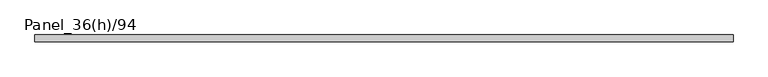
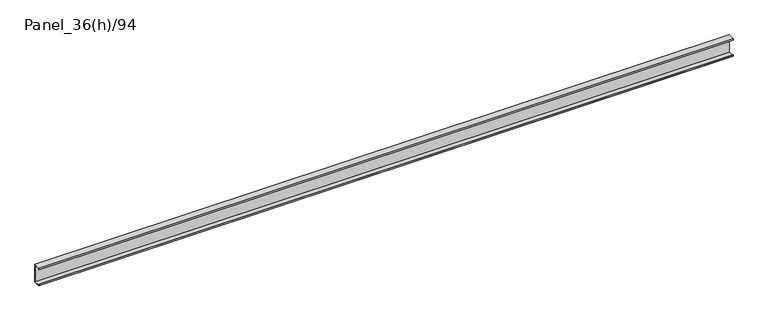
"""IFC4 building model written with IfcOpenShell, lengths in millimetres: plate geometry, Panel_36(h)/94."""

import ifcopenshell
import ifcopenshell.guid

model = None  # the IFC model being written
_history = None  # IfcOwnerHistory: only IFC2X3 demands one
_inside = {}  # id of a spatial element -> (the spatial element, [elements in it])
_under = {}  # id of a project, library or spatial element -> (it, [spatial elements below it])
_declared = {}  # id of a project -> (the project, [libraries it declares])
_typed = {}  # id of a type object -> (the type object, [elements of that type])
_made_of = {}  # id of a material, layer set ... -> (it, [elements and type objects made of it])


def new_model(schema):
    """Start an empty IFC model of exactly this schema.

    Asked for "IFC4X3", IfcOpenShell would pick the latest addendum, in which some entities
    have other attributes; the version numbers below select the first issue.
    IFC2X3 requires an IfcOwnerHistory on every rooted entity: one is made here for all.
    """
    global model, _history
    if schema == "IFC4X3":
        model = ifcopenshell.file(schema_version=(4, 3, 0, 0))
    else:
        model = ifcopenshell.file(schema=schema)
    _inside.clear()
    _under.clear()
    _declared.clear()
    _typed.clear()
    _made_of.clear()
    _history = None
    if model.schema == "IFC2X3":
        org = make("IfcOrganization", Name="unknown")
        user = make(
            "IfcPersonAndOrganization",
            ThePerson=make("IfcPerson", FamilyName="unknown"),
            TheOrganization=org,
        )
        app = make(
            "IfcApplication",
            ApplicationDeveloper=org,
            Version="unknown",
            ApplicationFullName="unknown",
            ApplicationIdentifier="unknown",
        )
        _history = make(
            "IfcOwnerHistory",
            OwningUser=user,
            OwningApplication=app,
            ChangeAction="ADDED",
            CreationDate=0,
        )
    return model


def make(cls, **values):
    """One entity of the class cls with the attributes given. An attribute that is None is left unset."""
    return model.create_entity(
        cls, **{name: value for name, value in values.items() if value is not None}
    )


def rooted(cls, **values):
    """An entity with a GlobalId (a new one), such as an element, a storey or a relation."""
    return make(cls, GlobalId=ifcopenshell.guid.new(), OwnerHistory=_history, **values)


def si_unit(unit_type, name, prefix=None):
    """IfcSIUnit, for example si_unit("LENGTHUNIT", "METRE", prefix="MILLI")."""
    return make("IfcSIUnit", UnitType=unit_type, Prefix=prefix, Name=name)


def assignment(units):
    """IfcUnitAssignment: the units of a project."""
    return None if units is None else make("IfcUnitAssignment", Units=units)


def point(xyz):
    """IfcCartesianPoint."""
    return None if xyz is None else make("IfcCartesianPoint", Coordinates=xyz)


def direction(xyz):
    """IfcDirection."""
    return None if xyz is None else make("IfcDirection", DirectionRatios=xyz)


def frame(location, z_axis=None, x_axis=None):
    """IfcAxis2Placement3D, a coordinate frame: its origin and axes. An axis left out is left unset."""
    return make(
        "IfcAxis2Placement3D",
        Location=point(location),
        Axis=direction(z_axis),
        RefDirection=direction(x_axis),
    )


def origin():
    """The frame at (0, 0, 0) with its axes left unset."""
    return frame((0.0, 0.0, 0.0))


def place(relative_to, where):
    """IfcLocalPlacement: puts the frame where relative to a parent placement (None: the world)."""
    return make(
        "IfcLocalPlacement", PlacementRelTo=relative_to, RelativePlacement=where
    )


def context(
    kind, dimensions, precision=None, world=None, true_north=None, identifier=None
):
    """IfcGeometricRepresentationContext, for example the 3D "Model" context."""
    return make(
        "IfcGeometricRepresentationContext",
        ContextIdentifier=identifier,
        ContextType=kind,
        CoordinateSpaceDimension=dimensions,
        Precision=precision,
        WorldCoordinateSystem=world,
        TrueNorth=true_north,
    )


def project(units=None, contexts=None):
    """IfcProject with its units and contexts."""
    return rooted(
        "IfcProject",
        Name="project",
        RepresentationContexts=contexts,
        UnitsInContext=assignment(units),
    )


def spatial(cls, under=None, at=None, **own):
    """A site, building, storey or space (cls), placed at a placement, below another one or the project."""
    s = rooted(cls, ObjectPlacement=at, **own)
    if under is not None:
        _under.setdefault(under.id(), (under, []))[1].append(s)
    return s


def polyline(points):
    """IfcPolyline through the points."""
    return make("IfcPolyline", Points=[point(p) for p in points])


def outline(outer, holes=None, kind="AREA"):
    """IfcArbitraryClosedProfileDef: a profile drawn as a closed curve; with holes, ...WithVoids."""
    if holes is None:
        return make("IfcArbitraryClosedProfileDef", ProfileType=kind, OuterCurve=outer)
    return make(
        "IfcArbitraryProfileDefWithVoids",
        ProfileType=kind,
        OuterCurve=outer,
        InnerCurves=holes,
    )


def extrude(swept, where, along, depth):
    """IfcExtrudedAreaSolid: the profile swept, set in the frame where, extruded along a direction by depth."""
    return make(
        "IfcExtrudedAreaSolid",
        SweptArea=swept,
        Position=where,
        ExtrudedDirection=direction(along),
        Depth=depth,
    )


def shape(context_of_items, identifier, shape_type, items):
    """IfcShapeRepresentation: the items that make up one representation, for example the "Body"."""
    return make(
        "IfcShapeRepresentation",
        ContextOfItems=context_of_items,
        RepresentationIdentifier=identifier,
        RepresentationType=shape_type,
        Items=items,
    )


def source(mapping_origin, context_of_items, identifier, shape_type, items):
    """IfcRepresentationMap: a shape defined once, which mapped items show again and again."""
    return make(
        "IfcRepresentationMap",
        MappingOrigin=mapping_origin,
        MappedRepresentation=shape(context_of_items, identifier, shape_type, items),
    )


def transform(
    local_origin,
    x_axis=None,
    y_axis=None,
    z_axis=None,
    scale=None,
    scale2=None,
    scale3=None,
    uniform=True,
):
    """IfcCartesianTransformationOperator3D, or its non-uniform kind. x_axis, y_axis, z_axis: its Axis1, 2, 3."""
    if uniform:
        return make(
            "IfcCartesianTransformationOperator3D",
            Axis1=direction(x_axis),
            Axis2=direction(y_axis),
            LocalOrigin=point(local_origin),
            Scale=scale,
            Axis3=direction(z_axis),
        )
    return make(
        "IfcCartesianTransformationOperator3DnonUniform",
        Axis1=direction(x_axis),
        Axis2=direction(y_axis),
        LocalOrigin=point(local_origin),
        Scale=scale,
        Axis3=direction(z_axis),
        Scale2=scale2,
        Scale3=scale3,
    )


def mapped(mapping_source, mapping_target):
    """IfcMappedItem: shows the shape of a source again, moved by a transform."""
    return make(
        "IfcMappedItem", MappingSource=mapping_source, MappingTarget=mapping_target
    )


def made_of(thing, what):
    """Note that an element or type object is made of a material, layer set ...; save() writes the relation."""
    if what is not None:
        _made_of.setdefault(what.id(), (what, []))[1].append(thing)
    return thing


def element(
    cls,
    number,
    at=None,
    inside=None,
    cuts=None,
    type_object=None,
    material=None,
    context=None,
    identifier="Body",
    shape_type=None,
    held_by="IfcProductDefinitionShape",
    body=None,
    shapes=None,
    **own,
):
    """One element of the class cls, such as IfcWall. Its Tag is "e" and its number.

    at: its placement. inside: the storey or other place that contains it. cuts: it is an
    opening in that element (IfcRelVoidsElement). A single representation is given by context,
    identifier, shape_type and body (its items); several are given by shapes. held_by: the class
    of the entity that holds the representations. save() writes the other relations.
    """
    e = rooted(cls, Tag="e%d" % number, ObjectPlacement=at, **own)
    if body is not None:
        shapes = [shape(context, identifier, shape_type, body)]
    if shapes is not None:
        e.Representation = make(held_by, Representations=shapes)
    if inside is not None:
        _inside.setdefault(inside.id(), (inside, []))[1].append(e)
    if cuts is not None:
        rooted(
            "IfcRelVoidsElement", RelatingBuildingElement=cuts, RelatedOpeningElement=e
        )
    if type_object is not None:
        _typed.setdefault(type_object.id(), (type_object, []))[1].append(e)
    return made_of(e, material)


def aggregate(whole, parts):
    """IfcRelAggregates: a whole, such as a stair, and the parts it consists of."""
    return rooted("IfcRelAggregates", RelatingObject=whole, RelatedObjects=parts)


def save(model, path):
    """Write the relations noted so far, then the file.

    IfcRelAggregates (storeys below a building ...), IfcRelContainedInSpatialStructure (elements
    in a storey), IfcRelDefinesByType, IfcRelAssociatesMaterial and IfcRelDeclares: one each for
    every whole, place, type object, material and project.
    """
    for whole, parts in _under.values():
        aggregate(whole, parts)
    for where, things in _inside.values():
        rooted(
            "IfcRelContainedInSpatialStructure",
            RelatedElements=things,
            RelatingStructure=where,
        )
    for kind, things in _typed.values():
        rooted("IfcRelDefinesByType", RelatedObjects=things, RelatingType=kind)
    for what, things in _made_of.values():
        rooted("IfcRelAssociatesMaterial", RelatedObjects=things, RelatingMaterial=what)
    for by, libraries in _declared.values():
        rooted("IfcRelDeclares", RelatingContext=by, RelatedDefinitions=libraries)
    model.write(path)


def panel_36_h_94_4b1a53fd(model_context):
    return source(origin(), model_context, "Body", "SweptSolid", [
        extrude(outline(polyline([(1780.0000002, 36.0), (1780.0000002, 35.2), (-1780.0000002, 35.2), (-1780.0000002, 36.0), (1780.0000002, 36.0)])), frame((0.0, 0.0, 19.0), z_axis=(0.0, 0.0, 1.0), x_axis=(1.0, 0.0, 0.0)), (0.0, 0.0, 1.0), 88.0),
        extrude(outline(polyline([(0.0, 110.0), (36.0, 110.0), (36.0, 107.0), (35.2, 107.0), (35.2, 109.2), (0.8, 109.2), (0.8, 102.0), (0.0, 102.0), (0.0, 110.0)])), frame((-1780.0000002, 0.0, 0.0), z_axis=(1.0, 0.0, 0.0), x_axis=(0.0, 1.0, 0.0)), (0.0, 0.0, 1.0), 3560.0000003),
        extrude(outline(polyline([(0.0, 16.0), (0.0, 24.0), (0.8, 24.0), (0.8, 16.8), (35.2, 16.8), (35.2, 19.0), (36.0, 19.0), (36.0, 16.0), (0.0, 16.0)])), frame((-1780.0000002, 0.0, 0.0), z_axis=(1.0, 0.0, 0.0), x_axis=(0.0, 1.0, 0.0)), (0.0, 0.0, 1.0), 3560.0000003),
        extrude(outline(polyline([(1780.0000002, 35.2), (1780.0000002, 33.7), (-1780.0000002, 33.7), (-1780.0000002, 35.2), (1780.0000002, 35.2)])), frame((0.0, 0.0, 16.8), z_axis=(0.0, 0.0, 1.0), x_axis=(1.0, 0.0, 0.0)), (0.0, 0.0, 1.0), 92.4),
    ])


if __name__ == "__main__":
    model = new_model("IFC4")
    model_context = context("Model", 3, world=origin())
    ifc_project = project(units=[si_unit("LENGTHUNIT", "METRE", prefix="MILLI")], contexts=[model_context])
    site = spatial("IfcSite", under=ifc_project)
    building = spatial("IfcBuilding", under=site)
    placement = place(None, origin())
    panel_36_h_94_shape = panel_36_h_94_4b1a53fd(model_context)
    element("IfcPlate", 1, ObjectType="Panel_36(h)/94", at=placement, inside=building, context=model_context, shape_type="MappedRepresentation", body=[
        mapped(panel_36_h_94_shape, transform((0.0, 0.0, 0.0), x_axis=(1.0, 0.0, 0.0), y_axis=(0.0, 1.0, 0.0), z_axis=(0.0, 0.0, 1.0))),
    ])
    save(model, "model.ifc")
